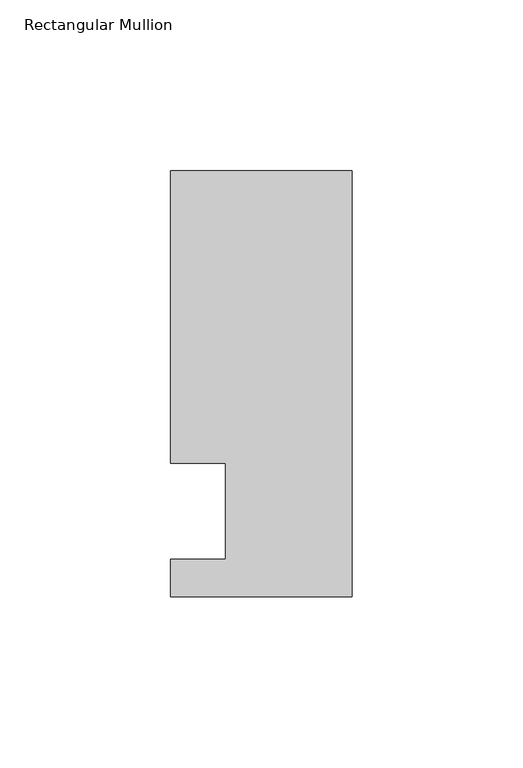
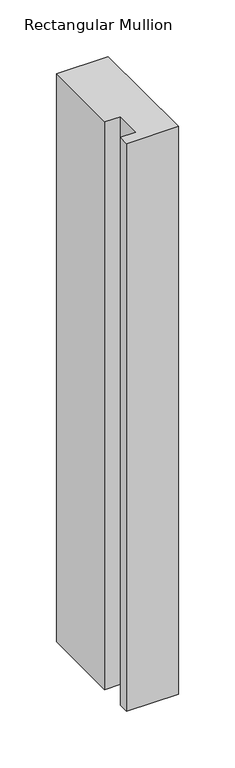
"""IFC4 building model written with IfcOpenShell, lengths in millimetres: member geometry, Rectangular Mullion."""

from ifc_helpers import new_model, si_unit, frame, origin, place, context, project, spatial, polyline, outline, extrude, source, transform, mapped, element, save


def rectangular_mullion_8130c05c(model_context):
    return source(origin(), model_context, "Body", "SweptSolid", [
        extrude(outline(polyline([(-37.0, -13.9999453), (-37.0, 14.0000547), (-53.0, 14.0000547), (-53.0, 99.5000547), (0.0, 99.5000547), (0.0, -24.9999453), (-53.0, -24.9999453), (-53.0, -13.9999453), (-37.0, -13.9999453)])), frame((0.0, 0.0, -613.2487586), z_axis=(0.0, 0.0, 1.0), x_axis=(1.0, 0.0, 0.0)), (0.0, 0.0, 1.0), 613.2487586),
    ])


if __name__ == "__main__":
    model = new_model("IFC4")
    model_context = context("Model", 3, world=origin())
    ifc_project = project(units=[si_unit("LENGTHUNIT", "METRE", prefix="MILLI")], contexts=[model_context])
    site = spatial("IfcSite", under=ifc_project)
    building = spatial("IfcBuilding", under=site)
    placement = place(None, origin())
    rectangular_mullion_shape = rectangular_mullion_8130c05c(model_context)
    element("IfcMember", 1, ObjectType="Rectangular Mullion", at=placement, inside=building, context=model_context, shape_type="MappedRepresentation", body=[
        mapped(rectangular_mullion_shape, transform((0.0, 0.0, 0.0), x_axis=(1.0, 0.0, 0.0), y_axis=(0.0, 1.0, 0.0), z_axis=(0.0, 0.0, 1.0))),
    ])
    save(model, "model.ifc")
